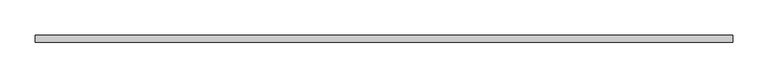
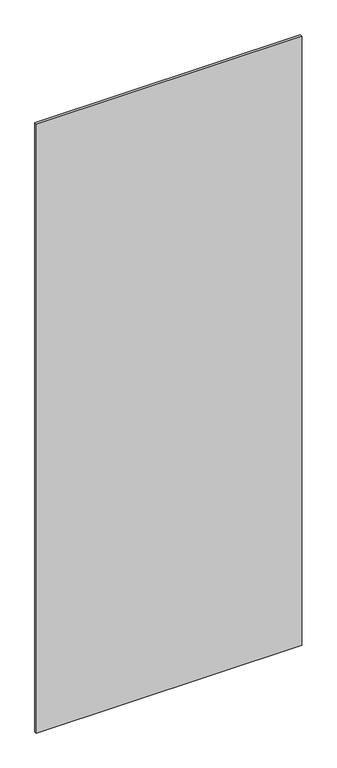
"""IFC4 building model written with IfcOpenShell, lengths in millimetres: plate geometry."""

from ifc_helpers import new_model, si_unit, origin, origin_with_axes, place, context, project, spatial, polyline, outline, extrude, source, transform, mapped, element, save


def plate_39c68253(model_context):
    return source(origin(), model_context, "Body", "SweptSolid", [
        extrude(outline(polyline([(494.7500001, -5.0), (-494.7500001, -5.0), (-494.7500001, 5.0), (494.7500001, 5.0), (494.7500001, -5.0)])), origin_with_axes(), (0.0, 0.0, 1.0), 2401.0),
    ])


if __name__ == "__main__":
    model = new_model("IFC4")
    model_context = context("Model", 3, world=origin())
    ifc_project = project(units=[si_unit("LENGTHUNIT", "METRE", prefix="MILLI")], contexts=[model_context])
    site = spatial("IfcSite", under=ifc_project)
    building = spatial("IfcBuilding", under=site)
    placement = place(None, origin())
    plate_shape = plate_39c68253(model_context)
    element("IfcPlate", 1, at=placement, inside=building, context=model_context, shape_type="MappedRepresentation", body=[
        mapped(plate_shape, transform((0.0, 0.0, 0.0), x_axis=(1.0, 0.0, 0.0), y_axis=(0.0, 1.0, 0.0), z_axis=(0.0, 0.0, 1.0))),
    ])
    save(model, "model.ifc")
